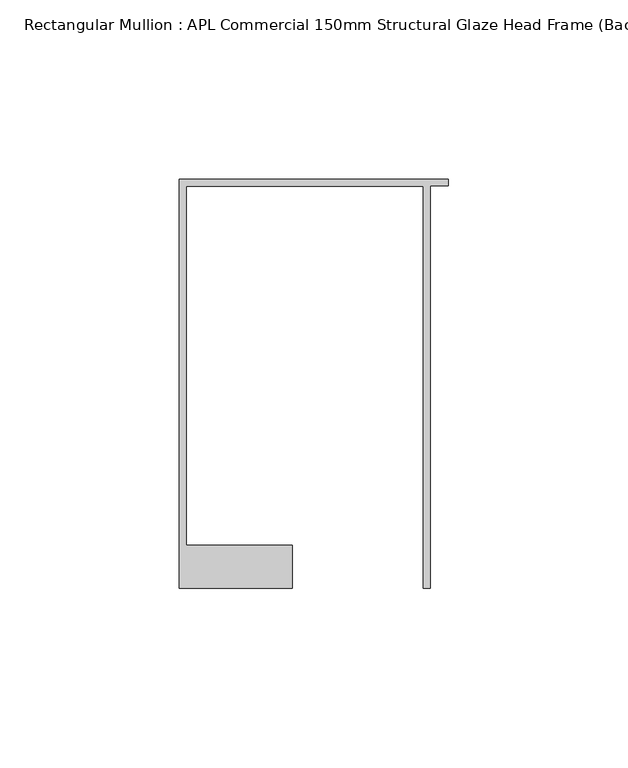
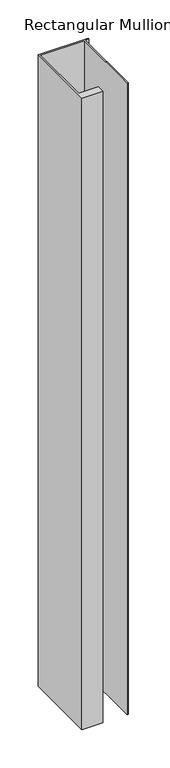
"""IFC4 building model written with IfcOpenShell, lengths in millimetres: member geometry, Rectangular Mullion : APL Commercial 150mm Structural Glaze Head Frame (Back)."""

import ifcopenshell
import ifcopenshell.guid

model = None  # the IFC model being written
_history = None  # IfcOwnerHistory: only IFC2X3 demands one
_inside = {}  # id of a spatial element -> (the spatial element, [elements in it])
_under = {}  # id of a project, library or spatial element -> (it, [spatial elements below it])
_declared = {}  # id of a project -> (the project, [libraries it declares])
_typed = {}  # id of a type object -> (the type object, [elements of that type])
_made_of = {}  # id of a material, layer set ... -> (it, [elements and type objects made of it])


def new_model(schema):
    """Start an empty IFC model of exactly this schema.

    Asked for "IFC4X3", IfcOpenShell would pick the latest addendum, in which some entities
    have other attributes; the version numbers below select the first issue.
    IFC2X3 requires an IfcOwnerHistory on every rooted entity: one is made here for all.
    """
    global model, _history
    if schema == "IFC4X3":
        model = ifcopenshell.file(schema_version=(4, 3, 0, 0))
    else:
        model = ifcopenshell.file(schema=schema)
    _inside.clear()
    _under.clear()
    _declared.clear()
    _typed.clear()
    _made_of.clear()
    _history = None
    if model.schema == "IFC2X3":
        org = make("IfcOrganization", Name="unknown")
        user = make(
            "IfcPersonAndOrganization",
            ThePerson=make("IfcPerson", FamilyName="unknown"),
            TheOrganization=org,
        )
        app = make(
            "IfcApplication",
            ApplicationDeveloper=org,
            Version="unknown",
            ApplicationFullName="unknown",
            ApplicationIdentifier="unknown",
        )
        _history = make(
            "IfcOwnerHistory",
            OwningUser=user,
            OwningApplication=app,
            ChangeAction="ADDED",
            CreationDate=0,
        )
    return model


def make(cls, **values):
    """One entity of the class cls with the attributes given. An attribute that is None is left unset."""
    return model.create_entity(
        cls, **{name: value for name, value in values.items() if value is not None}
    )


def rooted(cls, **values):
    """An entity with a GlobalId (a new one), such as an element, a storey or a relation."""
    return make(cls, GlobalId=ifcopenshell.guid.new(), OwnerHistory=_history, **values)


def si_unit(unit_type, name, prefix=None):
    """IfcSIUnit, for example si_unit("LENGTHUNIT", "METRE", prefix="MILLI")."""
    return make("IfcSIUnit", UnitType=unit_type, Prefix=prefix, Name=name)


def assignment(units):
    """IfcUnitAssignment: the units of a project."""
    return None if units is None else make("IfcUnitAssignment", Units=units)


def point(xyz):
    """IfcCartesianPoint."""
    return None if xyz is None else make("IfcCartesianPoint", Coordinates=xyz)


def direction(xyz):
    """IfcDirection."""
    return None if xyz is None else make("IfcDirection", DirectionRatios=xyz)


def frame(location, z_axis=None, x_axis=None):
    """IfcAxis2Placement3D, a coordinate frame: its origin and axes. An axis left out is left unset."""
    return make(
        "IfcAxis2Placement3D",
        Location=point(location),
        Axis=direction(z_axis),
        RefDirection=direction(x_axis),
    )


def origin():
    """The frame at (0, 0, 0) with its axes left unset."""
    return frame((0.0, 0.0, 0.0))


def place(relative_to, where):
    """IfcLocalPlacement: puts the frame where relative to a parent placement (None: the world)."""
    return make(
        "IfcLocalPlacement", PlacementRelTo=relative_to, RelativePlacement=where
    )


def context(
    kind, dimensions, precision=None, world=None, true_north=None, identifier=None
):
    """IfcGeometricRepresentationContext, for example the 3D "Model" context."""
    return make(
        "IfcGeometricRepresentationContext",
        ContextIdentifier=identifier,
        ContextType=kind,
        CoordinateSpaceDimension=dimensions,
        Precision=precision,
        WorldCoordinateSystem=world,
        TrueNorth=true_north,
    )


def project(units=None, contexts=None):
    """IfcProject with its units and contexts."""
    return rooted(
        "IfcProject",
        Name="project",
        RepresentationContexts=contexts,
        UnitsInContext=assignment(units),
    )


def spatial(cls, under=None, at=None, **own):
    """A site, building, storey or space (cls), placed at a placement, below another one or the project."""
    s = rooted(cls, ObjectPlacement=at, **own)
    if under is not None:
        _under.setdefault(under.id(), (under, []))[1].append(s)
    return s


def polyline(points):
    """IfcPolyline through the points."""
    return make("IfcPolyline", Points=[point(p) for p in points])


def outline(outer, holes=None, kind="AREA"):
    """IfcArbitraryClosedProfileDef: a profile drawn as a closed curve; with holes, ...WithVoids."""
    if holes is None:
        return make("IfcArbitraryClosedProfileDef", ProfileType=kind, OuterCurve=outer)
    return make(
        "IfcArbitraryProfileDefWithVoids",
        ProfileType=kind,
        OuterCurve=outer,
        InnerCurves=holes,
    )


def extrude(swept, where, along, depth):
    """IfcExtrudedAreaSolid: the profile swept, set in the frame where, extruded along a direction by depth."""
    return make(
        "IfcExtrudedAreaSolid",
        SweptArea=swept,
        Position=where,
        ExtrudedDirection=direction(along),
        Depth=depth,
    )


def shape(context_of_items, identifier, shape_type, items):
    """IfcShapeRepresentation: the items that make up one representation, for example the "Body"."""
    return make(
        "IfcShapeRepresentation",
        ContextOfItems=context_of_items,
        RepresentationIdentifier=identifier,
        RepresentationType=shape_type,
        Items=items,
    )


def source(mapping_origin, context_of_items, identifier, shape_type, items):
    """IfcRepresentationMap: a shape defined once, which mapped items show again and again."""
    return make(
        "IfcRepresentationMap",
        MappingOrigin=mapping_origin,
        MappedRepresentation=shape(context_of_items, identifier, shape_type, items),
    )


def transform(
    local_origin,
    x_axis=None,
    y_axis=None,
    z_axis=None,
    scale=None,
    scale2=None,
    scale3=None,
    uniform=True,
):
    """IfcCartesianTransformationOperator3D, or its non-uniform kind. x_axis, y_axis, z_axis: its Axis1, 2, 3."""
    if uniform:
        return make(
            "IfcCartesianTransformationOperator3D",
            Axis1=direction(x_axis),
            Axis2=direction(y_axis),
            LocalOrigin=point(local_origin),
            Scale=scale,
            Axis3=direction(z_axis),
        )
    return make(
        "IfcCartesianTransformationOperator3DnonUniform",
        Axis1=direction(x_axis),
        Axis2=direction(y_axis),
        LocalOrigin=point(local_origin),
        Scale=scale,
        Axis3=direction(z_axis),
        Scale2=scale2,
        Scale3=scale3,
    )


def mapped(mapping_source, mapping_target):
    """IfcMappedItem: shows the shape of a source again, moved by a transform."""
    return make(
        "IfcMappedItem", MappingSource=mapping_source, MappingTarget=mapping_target
    )


def made_of(thing, what):
    """Note that an element or type object is made of a material, layer set ...; save() writes the relation."""
    if what is not None:
        _made_of.setdefault(what.id(), (what, []))[1].append(thing)
    return thing


def element(
    cls,
    number,
    at=None,
    inside=None,
    cuts=None,
    type_object=None,
    material=None,
    context=None,
    identifier="Body",
    shape_type=None,
    held_by="IfcProductDefinitionShape",
    body=None,
    shapes=None,
    **own,
):
    """One element of the class cls, such as IfcWall. Its Tag is "e" and its number.

    at: its placement. inside: the storey or other place that contains it. cuts: it is an
    opening in that element (IfcRelVoidsElement). A single representation is given by context,
    identifier, shape_type and body (its items); several are given by shapes. held_by: the class
    of the entity that holds the representations. save() writes the other relations.
    """
    e = rooted(cls, Tag="e%d" % number, ObjectPlacement=at, **own)
    if body is not None:
        shapes = [shape(context, identifier, shape_type, body)]
    if shapes is not None:
        e.Representation = make(held_by, Representations=shapes)
    if inside is not None:
        _inside.setdefault(inside.id(), (inside, []))[1].append(e)
    if cuts is not None:
        rooted(
            "IfcRelVoidsElement", RelatingBuildingElement=cuts, RelatedOpeningElement=e
        )
    if type_object is not None:
        _typed.setdefault(type_object.id(), (type_object, []))[1].append(e)
    return made_of(e, material)


def aggregate(whole, parts):
    """IfcRelAggregates: a whole, such as a stair, and the parts it consists of."""
    return rooted("IfcRelAggregates", RelatingObject=whole, RelatedObjects=parts)


def save(model, path):
    """Write the relations noted so far, then the file.

    IfcRelAggregates (storeys below a building ...), IfcRelContainedInSpatialStructure (elements
    in a storey), IfcRelDefinesByType, IfcRelAssociatesMaterial and IfcRelDeclares: one each for
    every whole, place, type object, material and project.
    """
    for whole, parts in _under.values():
        aggregate(whole, parts)
    for where, things in _inside.values():
        rooted(
            "IfcRelContainedInSpatialStructure",
            RelatedElements=things,
            RelatingStructure=where,
        )
    for kind, things in _typed.values():
        rooted("IfcRelDefinesByType", RelatedObjects=things, RelatingType=kind)
    for what, things in _made_of.values():
        rooted("IfcRelAssociatesMaterial", RelatedObjects=things, RelatingMaterial=what)
    for by, libraries in _declared.values():
        rooted("IfcRelDeclares", RelatingContext=by, RelatedDefinitions=libraries)
    model.write(path)


def rectangular_mullion_apl_commercial_150mm_structural_glaze_2cbbfe13(model_context):
    return source(origin(), model_context, "Body", "SweptSolid", [
        extrude(outline(polyline([(-75.0, 128.9993063), (0.0, 128.9993063), (0.0, 127.1993063), (-5.0, 127.1993063), (-5.0, 14.9998342), (-7.0, 14.9998342), (-7.0, 126.9993063), (-73.0, 126.9993063), (-73.0, 26.9997514), (-43.5000151, 26.9997514), (-43.5000151, 14.9998342), (-75.0, 14.9998342), (-75.0, 128.9993063)])), frame((0.0, 0.0, -1007.0000086), z_axis=(0.0, 0.0, 1.0), x_axis=(1.0, 0.0, 0.0)), (0.0, 0.0, 1.0), 1007.0000086),
    ])


if __name__ == "__main__":
    model = new_model("IFC4")
    model_context = context("Model", 3, world=origin())
    ifc_project = project(units=[si_unit("LENGTHUNIT", "METRE", prefix="MILLI")], contexts=[model_context])
    site = spatial("IfcSite", under=ifc_project)
    building = spatial("IfcBuilding", under=site)
    placement = place(None, origin())
    rectangular_mullion_apl_commercial_150mm_structural_glaze_shape = rectangular_mullion_apl_commercial_150mm_structural_glaze_2cbbfe13(model_context)
    element("IfcMember", 1, ObjectType="Rectangular Mullion : APL Commercial 150mm Structural Glaze Head Frame (Back)", at=placement, inside=building, context=model_context, shape_type="MappedRepresentation", body=[
        mapped(rectangular_mullion_apl_commercial_150mm_structural_glaze_shape, transform((0.0, 0.0, 0.0), x_axis=(1.0, 0.0, 0.0), y_axis=(0.0, 1.0, 0.0), z_axis=(0.0, 0.0, 1.0))),
    ])
    save(model, "model.ifc")
